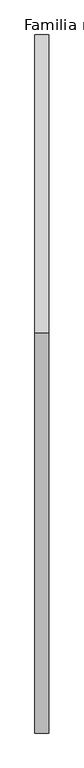
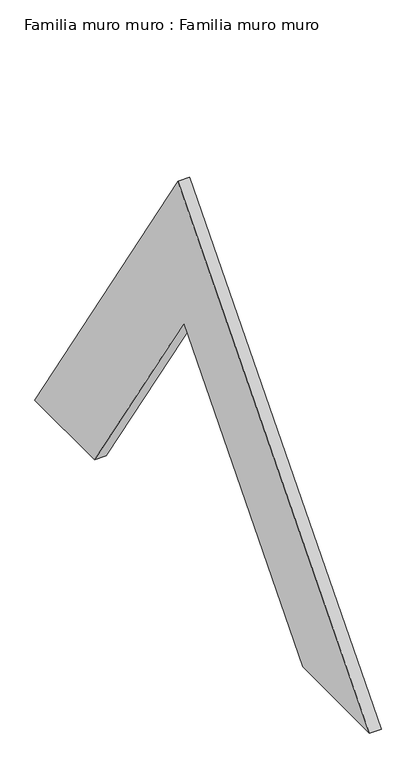
"""IFC4 building model written with IfcOpenShell, lengths in millimetres: plate geometry, Familia muro muro : Familia muro muro."""

from ifc_helpers import new_model, si_unit, frame, origin, place, context, project, spatial, polyline, outline, extrude, source, transform, mapped, element, save


def familia_muro_muro_familia_muro_muro_12720c57(model_context):
    return source(origin(), model_context, "Body", "SweptSolid", [
        extrude(outline(polyline([(-427.6091508, 658.4603495), (0.0, 0.0), (-178.8544939, 0.0), (-444.9956743, 409.8214791), (-801.248051, 0.0), (-1000.0, 0.0), (-427.6091508, 658.4603495)])), frame((0.0, 0.0, 0.0), z_axis=(1.0, 0.0, 0.0), x_axis=(0.0, 1.0, 0.0)), (0.0, 0.0, 1.0), 20.0),
    ])


if __name__ == "__main__":
    model = new_model("IFC4")
    model_context = context("Model", 3, world=origin())
    ifc_project = project(units=[si_unit("LENGTHUNIT", "METRE", prefix="MILLI")], contexts=[model_context])
    site = spatial("IfcSite", under=ifc_project)
    building = spatial("IfcBuilding", under=site)
    placement = place(None, origin())
    familia_muro_muro_familia_muro_muro_shape = familia_muro_muro_familia_muro_muro_12720c57(model_context)
    element("IfcPlate", 1, ObjectType="Familia muro muro : Familia muro muro", at=placement, inside=building, context=model_context, shape_type="MappedRepresentation", body=[
        mapped(familia_muro_muro_familia_muro_muro_shape, transform((0.0, 0.0, 0.0), x_axis=(1.0, 0.0, 0.0), y_axis=(0.0, 1.0, 0.0), z_axis=(0.0, 0.0, 1.0))),
    ])
    save(model, "model.ifc")
